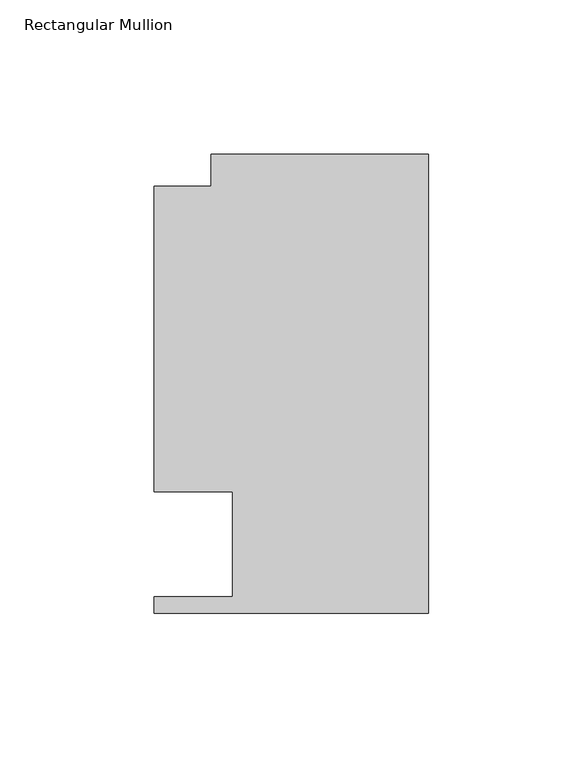
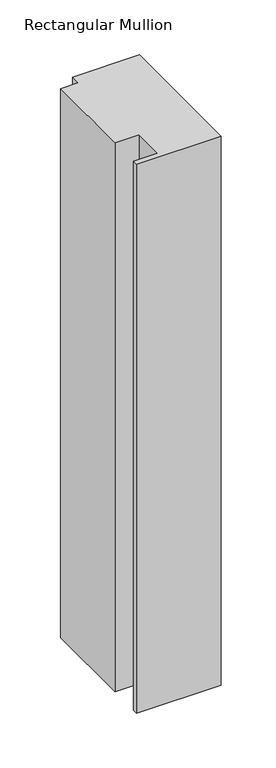
"""IFC4 building model written with IfcOpenShell, lengths in millimetres: member geometry, Rectangular Mullion."""

from ifc_helpers import new_model, si_unit, frame, origin, place, context, project, spatial, polyline, outline, extrude, source, transform, mapped, element, save


def rectangular_mullion_4ec88f7a(model_context):
    return source(origin(), model_context, "Body", "SweptSolid", [
        extrude(outline(polyline([(0.0, 148.737016), (0.0, 0.0198437), (-88.9090899, 0.0198437), (-88.9090899, 5.3538437), (-63.5090899, 5.3538437), (-63.5090899, 39.3898438), (-88.9090899, 39.3898438), (-88.9090899, 138.3230199), (-70.3924898, 138.3230199), (-70.3924898, 148.737016), (0.0, 148.737016)])), frame((0.0, 0.0, -609.6), z_axis=(0.0, 0.0, 1.0), x_axis=(1.0, 0.0, 0.0)), (0.0, 0.0, 1.0), 609.6),
    ])


if __name__ == "__main__":
    model = new_model("IFC4")
    model_context = context("Model", 3, world=origin())
    ifc_project = project(units=[si_unit("LENGTHUNIT", "METRE", prefix="MILLI")], contexts=[model_context])
    site = spatial("IfcSite", under=ifc_project)
    building = spatial("IfcBuilding", under=site)
    placement = place(None, origin())
    rectangular_mullion_shape = rectangular_mullion_4ec88f7a(model_context)
    element("IfcMember", 1, ObjectType="Rectangular Mullion", at=placement, inside=building, context=model_context, shape_type="MappedRepresentation", body=[
        mapped(rectangular_mullion_shape, transform((0.0, 0.0, 0.0), x_axis=(1.0, 0.0, 0.0), y_axis=(0.0, 1.0, 0.0), z_axis=(0.0, 0.0, 1.0))),
    ])
    save(model, "model.ifc")
